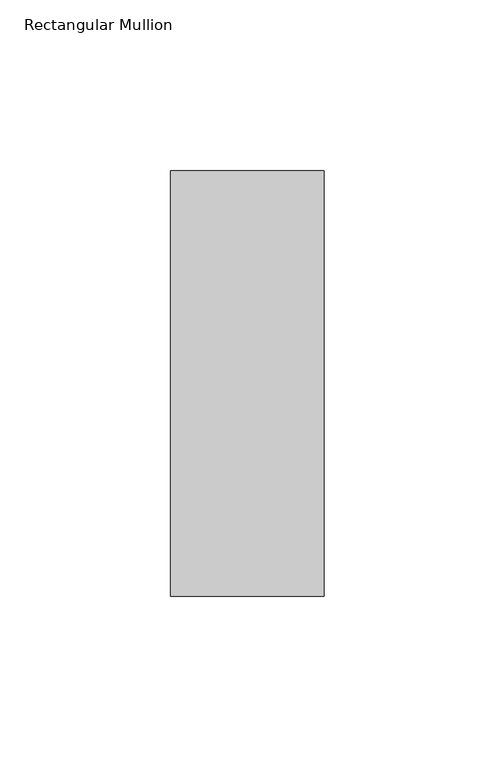
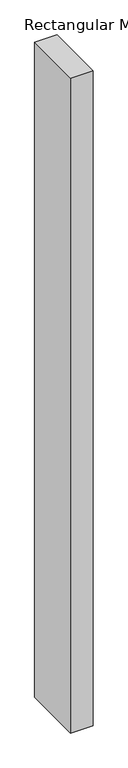
"""IFC4 building model written with IfcOpenShell, lengths in millimetres: member geometry, Rectangular Mullion."""

from ifc_helpers import new_model, si_unit, frame, origin, place, context, project, spatial, polyline, outline, extrude, source, transform, mapped, element, save


def rectangular_mullion_60947220(model_context):
    return source(origin(), model_context, "Body", "SweptSolid", [
        extrude(outline(polyline([(-45.0, 77.84375), (0.0, 77.84375), (0.0, -46.84375), (-45.0, -46.84375), (-45.0, 77.84375)])), frame((0.0, 0.0, -1387.1191406), z_axis=(0.0, 0.0, 1.0), x_axis=(1.0, 0.0, 0.0)), (0.0, 0.0, 1.0), 1387.1191406),
    ])


if __name__ == "__main__":
    model = new_model("IFC4")
    model_context = context("Model", 3, world=origin())
    ifc_project = project(units=[si_unit("LENGTHUNIT", "METRE", prefix="MILLI")], contexts=[model_context])
    site = spatial("IfcSite", under=ifc_project)
    building = spatial("IfcBuilding", under=site)
    placement = place(None, origin())
    rectangular_mullion_shape = rectangular_mullion_60947220(model_context)
    element("IfcMember", 1, ObjectType="Rectangular Mullion", at=placement, inside=building, context=model_context, shape_type="MappedRepresentation", body=[
        mapped(rectangular_mullion_shape, transform((0.0, 0.0, 0.0), x_axis=(1.0, 0.0, 0.0), y_axis=(0.0, 1.0, 0.0), z_axis=(0.0, 0.0, 1.0))),
    ])
    save(model, "model.ifc")
